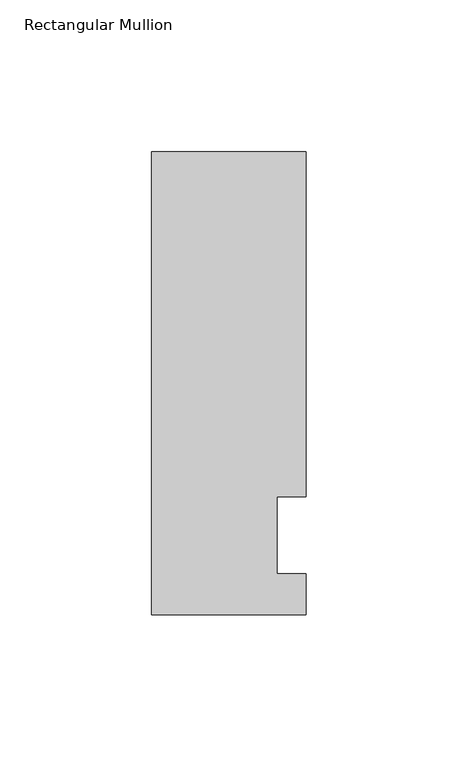
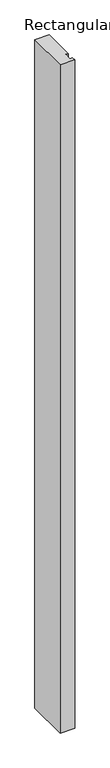
"""IFC4 building model written with IfcOpenShell, lengths in millimetres: member geometry, Rectangular Mullion."""

from ifc_helpers import new_model, si_unit, frame, origin, place, context, project, spatial, polyline, outline, extrude, source, transform, mapped, element, save


def rectangular_mullion_21db4c80(model_context):
    return source(origin(), model_context, "Body", "SweptSolid", [
        extrude(outline(polyline([(-25.4, -26.19375), (-25.4, 126.20625), (25.4, 126.20625), (25.4, 12.7), (15.875, 12.7), (15.875, -12.7), (25.4, -12.7), (25.4, -26.19375), (-25.4, -26.19375)])), frame((0.0, 0.0, -2463.8), z_axis=(0.0, 0.0, 1.0), x_axis=(1.0, 0.0, 0.0)), (0.0, 0.0, 1.0), 2463.8),
    ])


if __name__ == "__main__":
    model = new_model("IFC4")
    model_context = context("Model", 3, world=origin())
    ifc_project = project(units=[si_unit("LENGTHUNIT", "METRE", prefix="MILLI")], contexts=[model_context])
    site = spatial("IfcSite", under=ifc_project)
    building = spatial("IfcBuilding", under=site)
    placement = place(None, origin())
    rectangular_mullion_shape = rectangular_mullion_21db4c80(model_context)
    element("IfcMember", 1, ObjectType="Rectangular Mullion", at=placement, inside=building, context=model_context, shape_type="MappedRepresentation", body=[
        mapped(rectangular_mullion_shape, transform((0.0, 0.0, 0.0), x_axis=(1.0, 0.0, 0.0), y_axis=(0.0, 1.0, 0.0), z_axis=(0.0, 0.0, 1.0))),
    ])
    save(model, "model.ifc")
